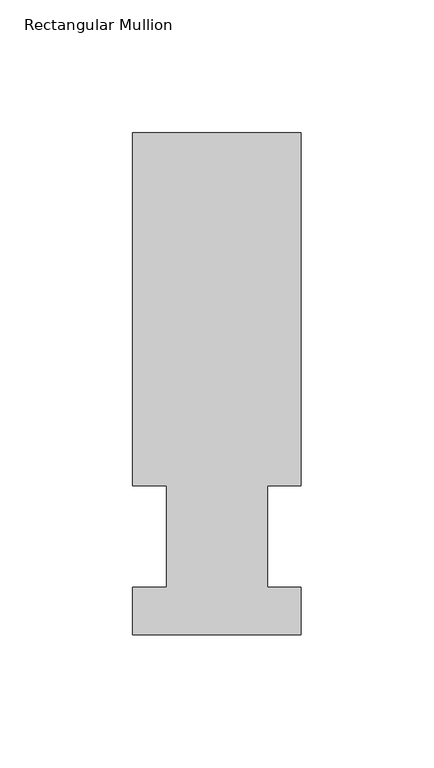
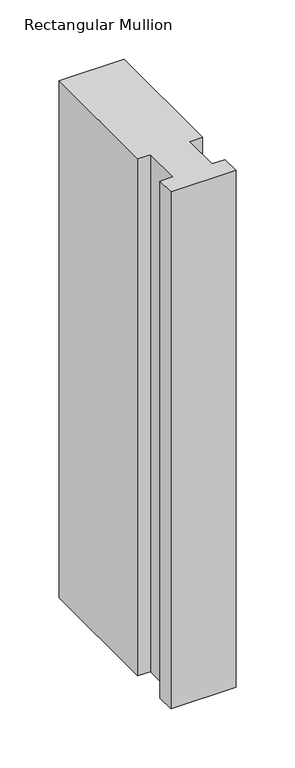
"""IFC4 building model written with IfcOpenShell, lengths in millimetres: member geometry, Rectangular Mullion."""

from ifc_helpers import new_model, si_unit, frame, origin, place, context, project, spatial, polyline, outline, extrude, source, transform, mapped, element, save


def rectangular_mullion_e303270b(model_context):
    return source(origin(), model_context, "Body", "SweptSolid", [
        extrude(outline(polyline([(9e-07, 56.6539062), (-12.6872996, 56.6539062), (-12.6872996, 18.5539067), (5e-07, 18.5539067), (5e-07, 0.5199067), (-63.4999995, 0.5199067), (-63.4999995, 18.5539067), (-50.7999995, 18.5539067), (-50.7999995, 56.6539062), (-63.4999991, 56.6539062), (-63.4999991, 189.5975067), (9e-07, 189.5975067), (9e-07, 56.6539062)])), frame((0.0, 0.0, -533.4), z_axis=(0.0, 0.0, 1.0), x_axis=(1.0, 0.0, 0.0)), (0.0, 0.0, 1.0), 533.4),
    ])


if __name__ == "__main__":
    model = new_model("IFC4")
    model_context = context("Model", 3, world=origin())
    ifc_project = project(units=[si_unit("LENGTHUNIT", "METRE", prefix="MILLI")], contexts=[model_context])
    site = spatial("IfcSite", under=ifc_project)
    building = spatial("IfcBuilding", under=site)
    placement = place(None, origin())
    rectangular_mullion_shape = rectangular_mullion_e303270b(model_context)
    element("IfcMember", 1, ObjectType="Rectangular Mullion", at=placement, inside=building, context=model_context, shape_type="MappedRepresentation", body=[
        mapped(rectangular_mullion_shape, transform((0.0, 0.0, 0.0), x_axis=(1.0, 0.0, 0.0), y_axis=(0.0, 1.0, 0.0), z_axis=(0.0, 0.0, 1.0))),
    ])
    save(model, "model.ifc")
